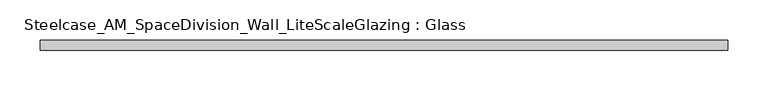
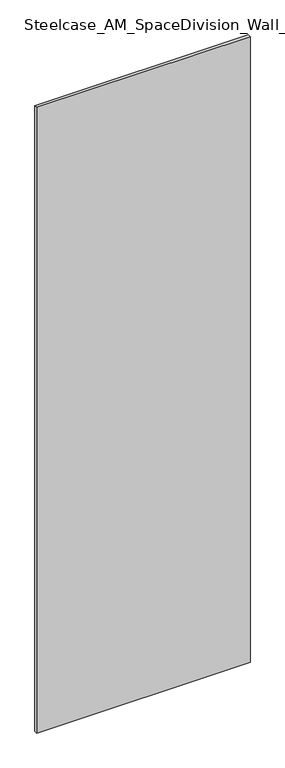
"""IFC4 building model written with IfcOpenShell, lengths in millimetres: plate geometry, Steelcase_AM_SpaceDivision_Wall_LiteScaleGlazing : Glass."""

from ifc_helpers import new_model, si_unit, origin, origin_with_axes, place, context, project, spatial, polyline, outline, extrude, source, transform, mapped, element, save


def steelcase_am_spacedivision_wall_litescaleglazing_glass_67ab9565(model_context):
    return source(origin(), model_context, "Body", "SweptSolid", [
        extrude(outline(polyline([(-429.768, -6.349956), (-429.768, 6.3502015), (429.768, 6.3502015), (429.768, -6.349956), (-429.768, -6.349956)])), origin_with_axes(), (0.0, 0.0, 1.0), 2665.984),
    ])


if __name__ == "__main__":
    model = new_model("IFC4")
    model_context = context("Model", 3, world=origin())
    ifc_project = project(units=[si_unit("LENGTHUNIT", "METRE", prefix="MILLI")], contexts=[model_context])
    site = spatial("IfcSite", under=ifc_project)
    building = spatial("IfcBuilding", under=site)
    placement = place(None, origin())
    steelcase_am_spacedivision_wall_litescaleglazing_glass_shape = steelcase_am_spacedivision_wall_litescaleglazing_glass_67ab9565(model_context)
    element("IfcPlate", 1, ObjectType="Steelcase_AM_SpaceDivision_Wall_LiteScaleGlazing : Glass", at=placement, inside=building, context=model_context, shape_type="MappedRepresentation", body=[
        mapped(steelcase_am_spacedivision_wall_litescaleglazing_glass_shape, transform((0.0, 0.0, 0.0), x_axis=(1.0, 0.0, 0.0), y_axis=(0.0, 1.0, 0.0), z_axis=(0.0, 0.0, 1.0))),
    ])
    save(model, "model.ifc")
